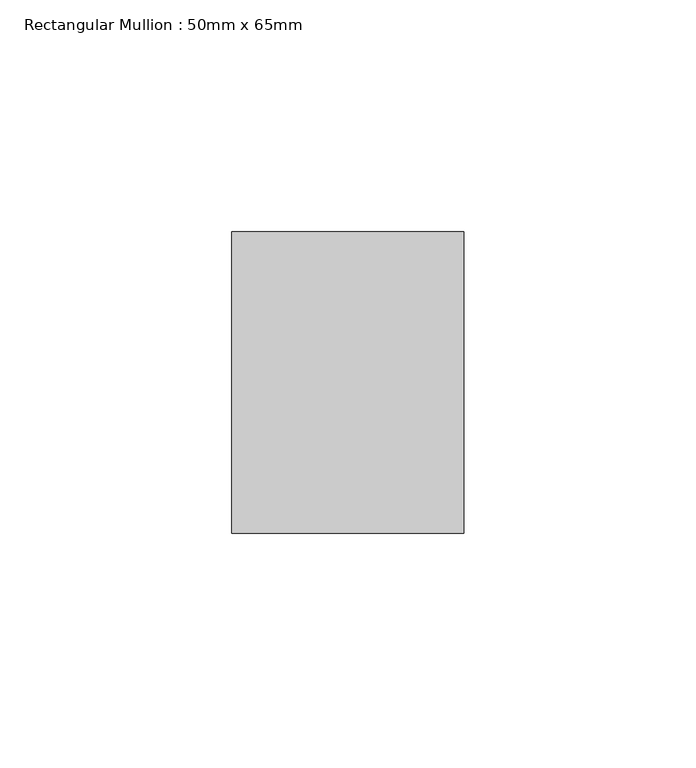
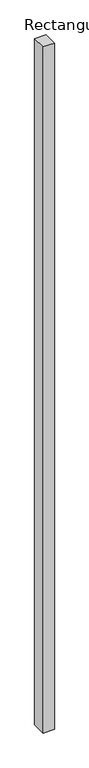
"""IFC4 building model written with IfcOpenShell, lengths in millimetres: member geometry, Rectangular Mullion : 50mm x 65mm."""

from ifc_helpers import new_model, si_unit, frame, origin, place, context, project, spatial, polyline, outline, extrude, source, transform, mapped, element, save


def rectangular_mullion_50mm_x_65mm_cbe84d08(model_context):
    return source(origin(), model_context, "Body", "SweptSolid", [
        extrude(outline(polyline([(25.0, 32.5), (25.0, -32.5), (-25.0, -32.5), (-25.0, 32.5), (25.0, 32.5)])), frame((0.0, 0.0, -3235.2672676), z_axis=(0.0, 0.0, 1.0), x_axis=(1.0, 0.0, 0.0)), (0.0, 0.0, 1.0), 3235.2672676),
    ])


if __name__ == "__main__":
    model = new_model("IFC4")
    model_context = context("Model", 3, world=origin())
    ifc_project = project(units=[si_unit("LENGTHUNIT", "METRE", prefix="MILLI")], contexts=[model_context])
    site = spatial("IfcSite", under=ifc_project)
    building = spatial("IfcBuilding", under=site)
    placement = place(None, origin())
    rectangular_mullion_50mm_x_65mm_shape = rectangular_mullion_50mm_x_65mm_cbe84d08(model_context)
    element("IfcMember", 1, ObjectType="Rectangular Mullion : 50mm x 65mm", at=placement, inside=building, context=model_context, shape_type="MappedRepresentation", body=[
        mapped(rectangular_mullion_50mm_x_65mm_shape, transform((0.0, 0.0, 0.0), x_axis=(1.0, 0.0, 0.0), y_axis=(0.0, 1.0, 0.0), z_axis=(0.0, 0.0, 1.0))),
    ])
    save(model, "model.ifc")
